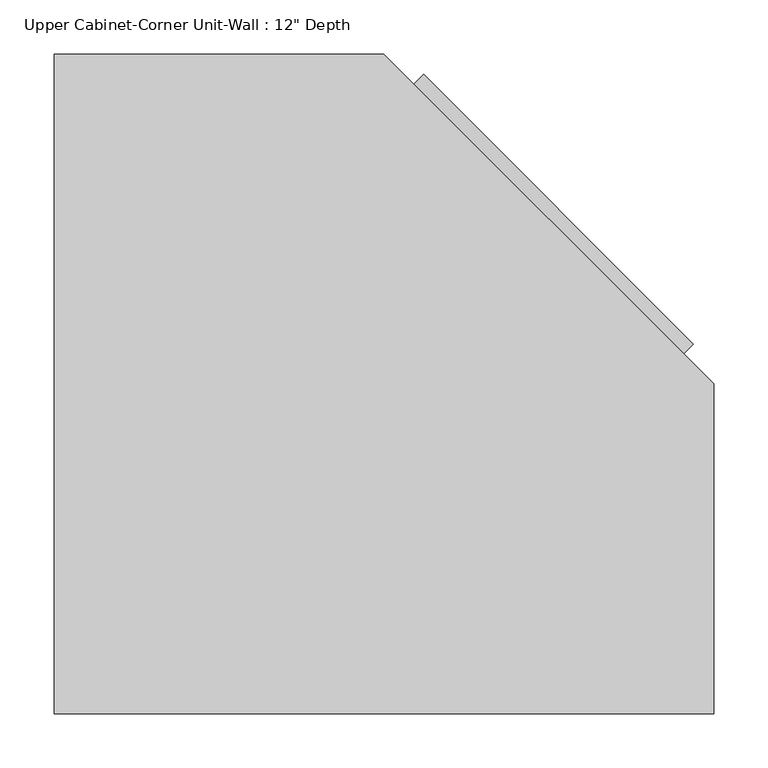
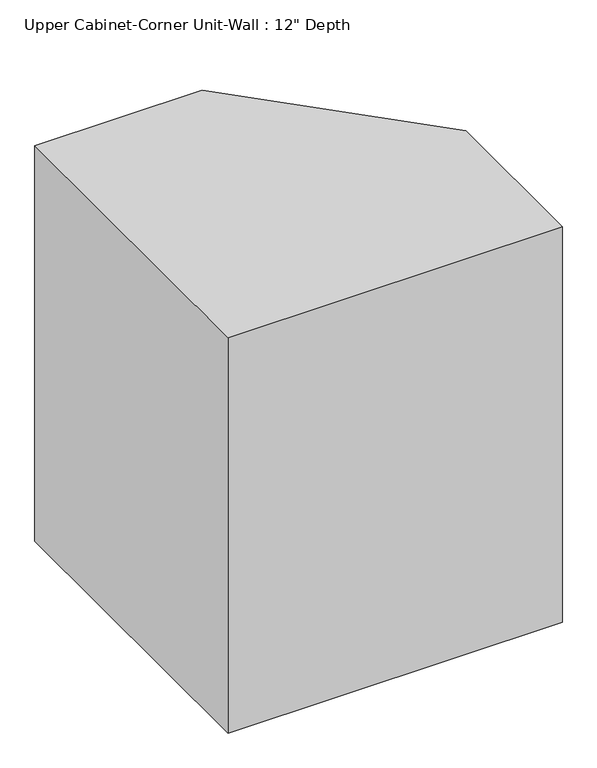
"""IFC4 building model written with IfcOpenShell, lengths in millimetres: furniture geometry."""

from ifc_helpers import new_model, si_unit, frame, origin, place, context, project, spatial, polyline, outline, extrude, faceted_brep, source, transform, mapped, element, save


def furniture_7bbfa0cc(model_context):
    return source(origin(), model_context, "Body", "SolidModel", [
        extrude(outline(polyline([(295.0625715, 660.7191036), (544.4402664, 411.3414087), (526.4797541, 393.3808964), (277.1020592, 642.7585913), (295.0625715, 660.7191036)])), frame((0.0, 0.0, 1428.75), z_axis=(0.0, 0.0, 1.0), x_axis=(1.0, 0.0, 0.0)), (0.0, 0.0, 1.0), 647.7),
        extrude(outline(polyline([(-27.3788372, 660.4), (250.4803944, 660.4), (544.1211628, 366.7592316), (544.1211628, 88.9), (-27.3788372, 88.9), (-27.3788372, 660.4)])), frame((0.0, 0.0, 1371.6), z_axis=(0.0, 0.0, 1.0), x_axis=(1.0, 0.0, 0.0)), (0.0, 0.0, 1.0), 25.4),
        faceted_brep([(-46.4288372, 679.45, 1371.6), (258.3711628, 679.45, 1371.6), (563.1711628, 374.65, 1371.6), (563.1711628, 69.85, 1371.6), (-46.4288372, 69.85, 1371.6), (250.4803944, 660.4, 1371.6), (-27.3788372, 660.4, 1371.6), (-27.3788372, 88.9, 1371.6), (544.1211628, 88.9, 1371.6), (544.1211628, 366.7592316, 1371.6), (-46.4288372, 679.45, 2133.6), (-46.4288372, 69.85, 2133.6), (563.1711628, 69.85, 2133.6), (563.1711628, 374.65, 2133.6), (258.3711628, 679.45, 2133.6), (250.4803944, 660.4, 2108.2), (-27.3788372, 660.4, 2108.2), (-27.3788372, 88.9, 2108.2), (544.1211628, 88.9, 2108.2), (544.1211628, 366.7592316, 2108.2), (535.4600102, 402.3611525, 2076.45), (286.0823153, 651.7388475, 2076.45), (286.0823153, 651.7388475, 1428.75), (535.4600102, 402.3611525, 1428.75), (272.6119312, 638.2684633, 2076.45), (521.9896261, 388.8907684, 2076.45), (521.9896261, 388.8907684, 1428.75), (272.6119312, 638.2684633, 1428.75)], [[[0, 1, 2, 3, 4], [5, 6, 7, 8, 9]], [[10, 11, 12, 13, 14]], [[1, 0, 10, 14]], [[6, 5, 15, 16]], [[7, 6, 16, 17]], [[8, 7, 17, 18]], [[9, 8, 18, 19]], [[3, 2, 13, 12]], [[4, 3, 12, 11]], [[0, 4, 11, 10]], [[16, 15, 19, 18, 17]], [[2, 1, 14, 13], [20, 21, 22, 23]], [[5, 9, 19, 15], [24, 25, 26, 27]], [[20, 25, 24, 21]], [[22, 27, 26, 23]], [[21, 24, 27, 22]], [[25, 20, 23, 26]]]),
    ])


if __name__ == "__main__":
    model = new_model("IFC4")
    model_context = context("Model", 3, world=origin())
    ifc_project = project(units=[si_unit("LENGTHUNIT", "METRE", prefix="MILLI")], contexts=[model_context])
    site = spatial("IfcSite", under=ifc_project)
    building = spatial("IfcBuilding", under=site)
    placement = place(None, origin())
    furniture_shape = furniture_7bbfa0cc(model_context)
    element("IfcFurniture", 1, ObjectType="Upper Cabinet-Corner Unit-Wall : 12\" Depth", at=placement, inside=building, context=model_context, shape_type="MappedRepresentation", body=[
        mapped(furniture_shape, transform((0.0, 0.0, 0.0), x_axis=(1.0, 0.0, 0.0), y_axis=(0.0, 1.0, 0.0), z_axis=(0.0, 0.0, 1.0))),
    ])
    save(model, "model.ifc")
